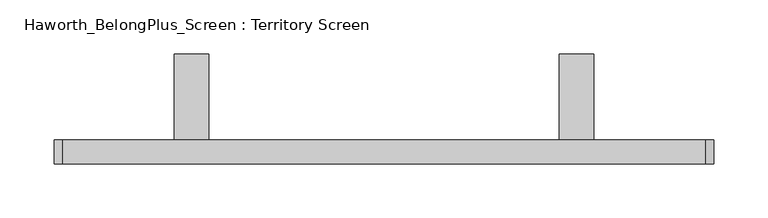
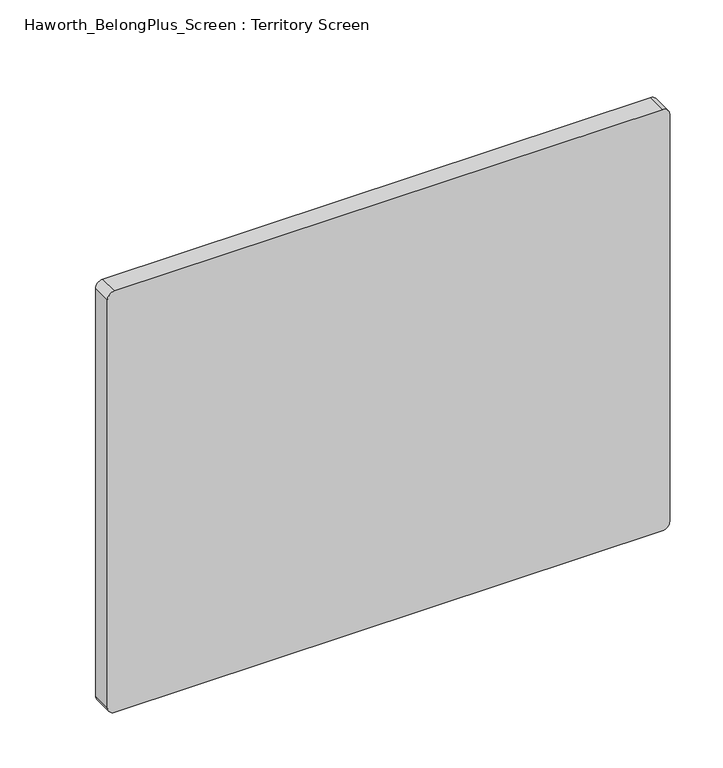
"""IFC4 building model written with IfcOpenShell, lengths in millimetres: furniture geometry, Haworth_BelongPlus_Screen : Territory Screen."""

from ifc_helpers import new_model, si_unit, point, frame, frame_2d, origin, place, context, project, spatial, polyline, circle_curve, trimmed, segment, composite_curve, outline, extrude, source, transform, mapped, element, save


def haworth_belongplus_screen_territory_screen_00559ba2(model_context):
    return source(origin(), model_context, "Body", "SweptSolid", [
        extrude(outline(polyline([(11.1125, 706.4375), (90.4875, 706.4375), (90.4875, 700.0875), (17.4625, 700.0875), (17.4625, 654.05), (11.1125, 654.05), (11.1125, 706.4375)])), frame((-226.3395436, 0.0, 0.0), z_axis=(1.0, 0.0, 0.0), x_axis=(0.0, 1.0, 0.0)), (0.0, 0.0, 1.0), 31.75),
        extrude(outline(polyline([(11.1125, 706.4375), (90.4875, 706.4375), (90.4875, 700.0875), (17.4625, 700.0875), (17.4625, 654.05), (11.1125, 654.05), (11.1125, 706.4375)])), frame((129.2604564, 0.0, 0.0), z_axis=(1.0, 0.0, 0.0), x_axis=(0.0, 1.0, 0.0)), (0.0, 0.0, 1.0), 31.75),
        extrude(outline(composite_curve([segment(polyline([(858.8375, 264.1979564), (858.8375, -329.5270436)]), True, "CONTINUOUS"), segment(trimmed(circle_curve(frame_2d((850.9, -329.5270436)), 7.9375), [point((858.8375, -329.5270436))], [point((850.9, -337.4645436))], False, "CARTESIAN"), True, "CONTINUOUS"), segment(polyline([(850.9, -337.4645436), (384.175, -337.4645436)]), True, "CONTINUOUS"), segment(trimmed(circle_curve(frame_2d((384.175, -329.5270436)), 7.9375), [point((384.175, -337.4645436))], [point((376.2375, -329.5270436))], False, "CARTESIAN"), True, "CONTINUOUS"), segment(polyline([(376.2375, -329.5270436), (376.2375, 264.1979564)]), True, "CONTINUOUS"), segment(trimmed(circle_curve(frame_2d((384.175, 264.1979564)), 7.9375), [point((376.2375, 264.1979564))], [point((384.175, 272.1354564))], False, "CARTESIAN"), True, "CONTINUOUS"), segment(polyline([(384.175, 272.1354564), (850.9, 272.1354564)]), True, "CONTINUOUS"), segment(trimmed(circle_curve(frame_2d((850.9, 264.1979564)), 7.9375), [point((850.9, 272.1354564))], [point((858.8375, 264.1979564))], False, "CARTESIAN"), True, "CONTINUOUS")], self_intersect=False)), frame((0.0, -11.1125, 0.0), z_axis=(0.0, 1.0, 0.0), x_axis=(0.0, 0.0, 1.0)), (0.0, 0.0, 1.0), 22.225),
    ])


if __name__ == "__main__":
    model = new_model("IFC4")
    model_context = context("Model", 3, world=origin())
    ifc_project = project(units=[si_unit("LENGTHUNIT", "METRE", prefix="MILLI")], contexts=[model_context])
    site = spatial("IfcSite", under=ifc_project)
    building = spatial("IfcBuilding", under=site)
    placement = place(None, origin())
    haworth_belongplus_screen_territory_screen_shape = haworth_belongplus_screen_territory_screen_00559ba2(model_context)
    element("IfcFurniture", 1, ObjectType="Haworth_BelongPlus_Screen : Territory Screen", at=placement, inside=building, context=model_context, shape_type="MappedRepresentation", body=[
        mapped(haworth_belongplus_screen_territory_screen_shape, transform((0.0, 0.0, 0.0), x_axis=(1.0, 0.0, 0.0), y_axis=(0.0, 1.0, 0.0), z_axis=(0.0, 0.0, 1.0))),
    ])
    save(model, "model.ifc")
